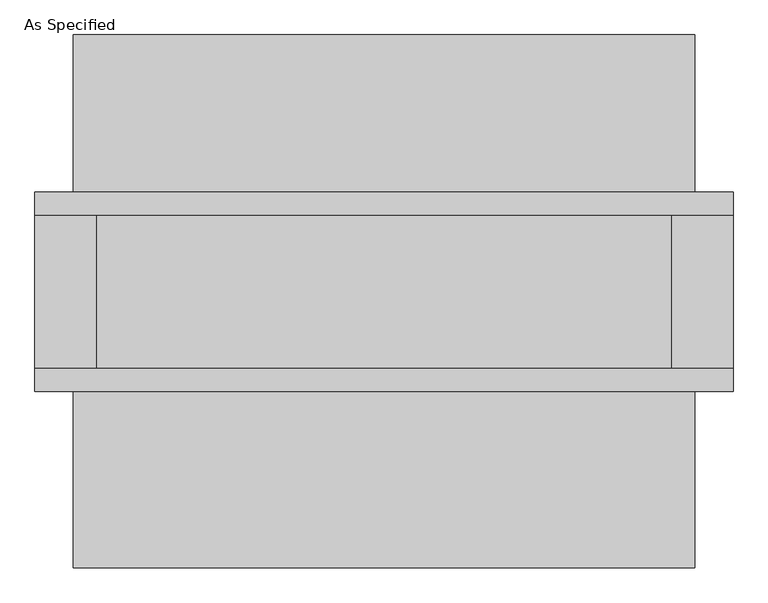
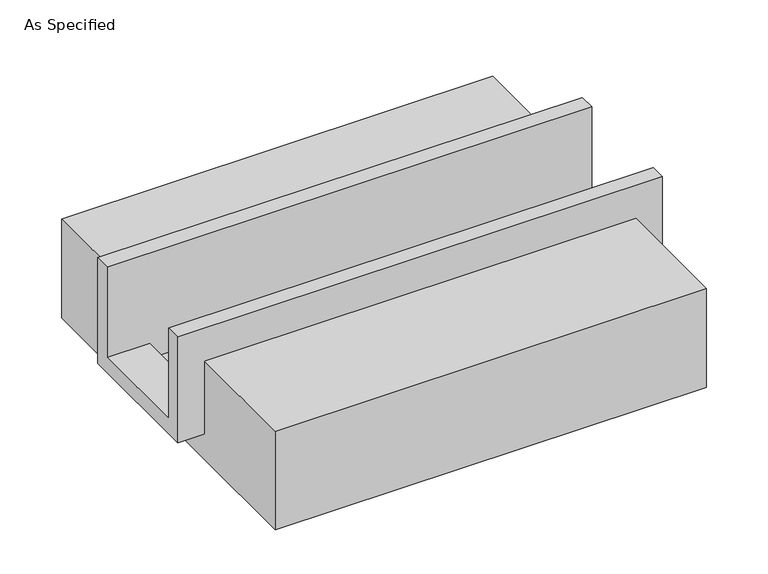
"""IFC4 building model written with IfcOpenShell, lengths in millimetres: proxy geometry, As Specified."""

from ifc_helpers import new_model, si_unit, frame, origin, place, context, project, spatial, polyline, outline, extrude, faceted_brep, source, transform, mapped, element, save


def as_specified_4ba10446(model_context):
    return source(origin(), model_context, "Body", "SolidModel", [
        faceted_brep([(-1155.7, 285.75, 139.7), (-1155.7, 361.95, 139.7), (-1155.7, 361.95, -393.7), (-1155.7, -298.45, -393.7), (-1155.7, -298.45, 139.7), (-1155.7, -222.25, 139.7), (-1155.7, -222.25, -317.5), (-1155.7, 285.75, -317.5), (1155.7, 285.75, 139.7), (1155.7, 285.75, -317.5), (1155.7, -222.25, -317.5), (1155.7, -222.25, 139.7), (1155.7, -298.45, 139.7), (1155.7, -298.45, -393.7), (1155.7, 361.95, -393.7), (1155.7, 361.95, 139.7), (952.5, -222.25, -393.7), (952.5, 285.75, -393.7), (-952.5, 285.75, -393.7), (-952.5, -222.25, -393.7), (952.5, -222.25, -317.5), (-952.5, -222.25, -317.5), (-952.5, 285.75, -317.5), (952.5, 285.75, -317.5)], [[[0, 1, 2, 3, 4, 5, 6, 7]], [[8, 9, 10, 11, 12, 13, 14, 15]], [[1, 0, 8, 15]], [[2, 1, 15, 14]], [[3, 2, 14, 13], [16, 17, 18, 19]], [[4, 3, 13, 12]], [[5, 4, 12, 11]], [[6, 5, 11, 10, 20, 16, 19, 21]], [[7, 6, 21, 22]], [[10, 9, 23, 20]], [[0, 7, 22, 18, 17, 23, 9, 8]], [[16, 20, 23, 17]], [[21, 19, 18, 22]]]),
        extrude(outline(polyline([(882.65, -25.4), (882.65, -523.9742188), (-882.65, -523.9742188), (-882.65, -25.4), (-298.45, -25.4), (-298.45, -393.7), (361.95, -393.7), (361.95, -25.4), (882.65, -25.4)])), frame((-1028.7, 0.0, 0.0), z_axis=(1.0, 0.0, 0.0), x_axis=(0.0, 1.0, 0.0)), (0.0, 0.0, 1.0), 2057.4),
    ])


if __name__ == "__main__":
    model = new_model("IFC4")
    model_context = context("Model", 3, world=origin())
    ifc_project = project(units=[si_unit("LENGTHUNIT", "METRE", prefix="MILLI")], contexts=[model_context])
    site = spatial("IfcSite", under=ifc_project)
    building = spatial("IfcBuilding", under=site)
    placement = place(None, origin())
    as_specified_shape = as_specified_4ba10446(model_context)
    element("IfcBuildingElementProxy", 1, Name="As Specified", ObjectType="As Specified", at=placement, inside=building, context=model_context, shape_type="MappedRepresentation", body=[
        mapped(as_specified_shape, transform((0.0, 0.0, 0.0), x_axis=(1.0, 0.0, 0.0), y_axis=(0.0, 1.0, 0.0), z_axis=(0.0, 0.0, 1.0))),
    ])
    save(model, "model.ifc")
